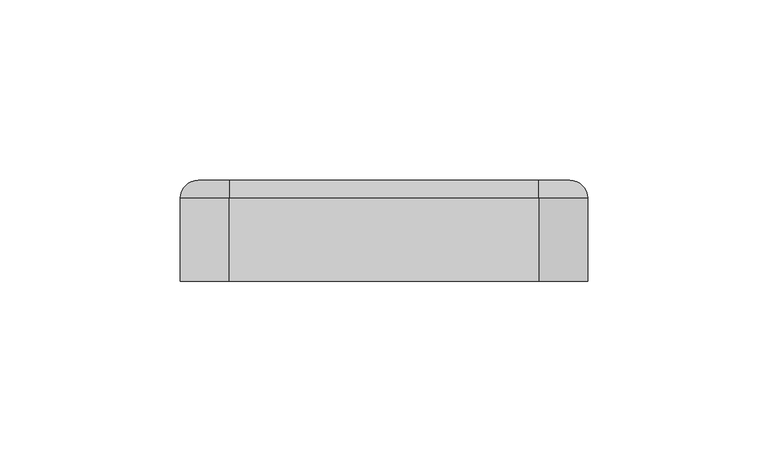
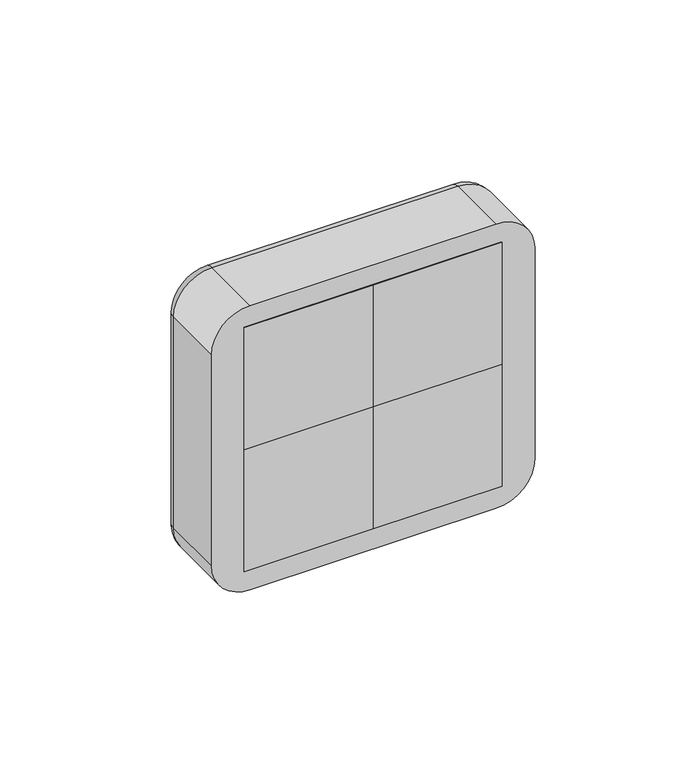
"""IFC4 building model written with IfcOpenShell, lengths in millimetres: proxy geometry."""

from ifc_helpers import new_model, si_unit, point, frame, origin, origin_with_axes, place, context, project, spatial, polyline, circle_curve, ellipse_curve, trimmed, outline, extrude, source, transform, mapped, element, save
from ifc_brep_helpers import plane_surface, cylinder_surface, revolved_surface, advanced_brep


def electrical_fixtures_74140804(model_context):
    return source(origin(), model_context, "Body", "SolidModel", [
        advanced_brep(
        [(0.0, 28.0, 45.0), (0.0, 28.0, 0.0), (-45.0, 28.0, 0.0), (-45.0, 28.0, 45.0), (-40.5, 28.0, 22.5), (-4.5, 28.0, 22.5), (0.0, 20.0, 45.0), (-45.0, 20.0, 45.0), (-45.0, 20.0, 0.0), (0.0, 20.0, 0.0), (-29.5, 20.0, 22.5), (-34.5, 20.0, 22.5), (-10.5, 20.0, 22.5), (-15.5, 20.0, 22.5), (-40.5, 21.0, 22.5), (-4.5, 21.0, 22.5), (-34.5, 21.0, 22.5), (-29.5, 21.0, 22.5), (-15.5, 21.0, 22.5), (-10.5, 21.0, 22.5)],
        [
            (0, 1),
            (1, 2),
            (2, 3),
            (3, 0),
            (4, 5, circle_curve(frame((-22.5, 28.0, 22.5), z_axis=(0.0, -1.0, 0.0), x_axis=(1.0, 0.0, 0.0)), 18.0)),
            (5, 4, circle_curve(frame((-22.5, 28.0, 22.5), z_axis=(0.0, -1.0, 0.0), x_axis=(1.0, 0.0, 0.0)), 18.0)),
            (6, 7),
            (7, 8),
            (8, 9),
            (9, 6),
            (10, 11, circle_curve(frame((-32.0, 20.0, 22.5), z_axis=(0.0, 1.0, 0.0), x_axis=(1.0, 0.0, 0.0)), 2.5)),
            (11, 10, circle_curve(frame((-32.0, 20.0, 22.5), z_axis=(0.0, 1.0, 0.0), x_axis=(1.0, 0.0, 0.0)), 2.5)),
            (12, 13, circle_curve(frame((-13.0, 20.0, 22.5), z_axis=(0.0, 1.0, 0.0), x_axis=(1.0, 0.0, 0.0)), 2.5)),
            (13, 12, circle_curve(frame((-13.0, 20.0, 22.5), z_axis=(0.0, 1.0, 0.0), x_axis=(1.0, 0.0, 0.0)), 2.5)),
            (3, 7),
            (6, 0),
            (2, 8),
            (1, 9),
            (14, 15, circle_curve(frame((-22.5, 21.0, 22.5), z_axis=(0.0, 1.0, 0.0), x_axis=(1.0, 0.0, 0.0)), 18.0)),
            (15, 14, circle_curve(frame((-22.5, 21.0, 22.5), z_axis=(0.0, 1.0, 0.0), x_axis=(1.0, 0.0, 0.0)), 18.0)),
            (16, 17, circle_curve(frame((-32.0, 21.0, 22.5), z_axis=(0.0, -1.0, 0.0), x_axis=(1.0, 0.0, 0.0)), 2.5)),
            (17, 16, circle_curve(frame((-32.0, 21.0, 22.5), z_axis=(0.0, -1.0, 0.0), x_axis=(1.0, 0.0, 0.0)), 2.5)),
            (18, 19, circle_curve(frame((-13.0, 21.0, 22.5), z_axis=(0.0, -1.0, 0.0), x_axis=(1.0, 0.0, 0.0)), 2.5)),
            (19, 18, circle_curve(frame((-13.0, 21.0, 22.5), z_axis=(0.0, -1.0, 0.0), x_axis=(1.0, 0.0, 0.0)), 2.5)),
            (15, 5),
            (4, 14),
            (10, 17),
            (16, 11),
            (12, 19),
            (18, 13),
        ],
        [
            plane_surface(frame((-61.5, 28.0, 45.0), z_axis=(0.0, 1.0, 0.0), x_axis=(1.0, 0.0, 0.0))),
            plane_surface(frame((-61.5, 20.0, 45.0), z_axis=(0.0, -1.0, 0.0), x_axis=(-1.0, 0.0, 0.0))),
            plane_surface(frame((0.0, 20.0, 45.0), z_axis=(0.0, 0.0, 1.0), x_axis=(0.0, 1.0, 0.0))),
            plane_surface(frame((-45.0, 20.0, 45.0), z_axis=(-1.0, 0.0, 0.0), x_axis=(0.0, 1.0, 0.0))),
            plane_surface(frame((-45.0, 20.0, 0.0), z_axis=(0.0, 0.0, -1.0), x_axis=(0.0, 1.0, 0.0))),
            plane_surface(frame((0.0, 20.0, 0.0), z_axis=(1.0, 0.0, 0.0), x_axis=(0.0, 1.0, 0.0))),
            plane_surface(frame((-4.5, 21.0, 22.5), z_axis=(0.0, 1.0, 0.0), x_axis=(0.0, 0.0, 1.0))),
            revolved_surface(polyline([(-4.5, 21.0, 22.5), (-4.5, 28.0, 22.5)]), (-22.5, 28.0, 22.5), (0.0, -1.0, 0.0)),
            revolved_surface(polyline([(-29.5, 20.0, 22.5), (-29.5, 21.0, 22.5)]), (-32.0, 21.0, 22.5), (0.0, -1.0, 0.0)),
            revolved_surface(polyline([(-10.5, 20.0, 22.5), (-10.5, 21.0, 22.5)]), (-13.0, 20.0, 22.5), (0.0, -1.0, 0.0)),
        ],
        [
            (0, [[1, 2, 3, 4], [5, 6]]),
            (1, [[7, 8, 9, 10], [11, 12], [13, 14]]),
            (2, [[-4, 15, -7, 16]]),
            (3, [[-3, 17, -8, -15]]),
            (4, [[-2, 18, -9, -17]]),
            (5, [[-1, -16, -10, -18]]),
            (6, [[19, 20], [21, 22], [23, 24]]),
            (7, [[-20, 25, -5, 26]]),
            (7, [[-19, -26, -6, -25]]),
            (8, [[27, -21, 28, -11]]),
            (8, [[-27, -12, -28, -22]]),
            (9, [[29, -23, 30, -13]]),
            (9, [[-29, -14, -30, -24]]),
        ],
    ),
        extrude(outline(polyline([(0.0, 0.0), (-45.0, 0.0), (-45.0, 20.0), (0.0, 20.0), (0.0, 0.0)])), origin_with_axes(), (0.0, 0.0, 1.0), 45.0),
        advanced_brep(
        [(45.0, 28.0, 45.0), (45.0, 28.0, 0.0), (0.0, 28.0, 0.0), (0.0, 28.0, 45.0), (4.5, 28.0, 22.5), (40.5, 28.0, 22.5), (45.0, 20.0, 45.0), (0.0, 20.0, 45.0), (0.0, 20.0, 0.0), (45.0, 20.0, 0.0), (15.5, 20.0, 22.5), (10.5, 20.0, 22.5), (34.5, 20.0, 22.5), (29.5, 20.0, 22.5), (4.5, 21.0, 22.5), (40.5, 21.0, 22.5), (10.5, 21.0, 22.5), (15.5, 21.0, 22.5), (29.5, 21.0, 22.5), (34.5, 21.0, 22.5)],
        [
            (0, 1),
            (1, 2),
            (2, 3),
            (3, 0),
            (4, 5, circle_curve(frame((22.5, 28.0, 22.5), z_axis=(0.0, -1.0, 0.0), x_axis=(1.0, 0.0, 0.0)), 18.0)),
            (5, 4, circle_curve(frame((22.5, 28.0, 22.5), z_axis=(0.0, -1.0, 0.0), x_axis=(1.0, 0.0, 0.0)), 18.0)),
            (6, 7),
            (7, 8),
            (8, 9),
            (9, 6),
            (10, 11, circle_curve(frame((13.0, 20.0, 22.5), z_axis=(0.0, 1.0, 0.0), x_axis=(1.0, 0.0, 0.0)), 2.5)),
            (11, 10, circle_curve(frame((13.0, 20.0, 22.5), z_axis=(0.0, 1.0, 0.0), x_axis=(1.0, 0.0, 0.0)), 2.5)),
            (12, 13, circle_curve(frame((32.0, 20.0, 22.5), z_axis=(0.0, 1.0, 0.0), x_axis=(1.0, 0.0, 0.0)), 2.5)),
            (13, 12, circle_curve(frame((32.0, 20.0, 22.5), z_axis=(0.0, 1.0, 0.0), x_axis=(1.0, 0.0, 0.0)), 2.5)),
            (3, 7),
            (6, 0),
            (2, 8),
            (1, 9),
            (14, 15, circle_curve(frame((22.5, 21.0, 22.5), z_axis=(0.0, 1.0, 0.0), x_axis=(1.0, 0.0, 0.0)), 18.0)),
            (15, 14, circle_curve(frame((22.5, 21.0, 22.5), z_axis=(0.0, 1.0, 0.0), x_axis=(1.0, 0.0, 0.0)), 18.0)),
            (16, 17, circle_curve(frame((13.0, 21.0, 22.5), z_axis=(0.0, -1.0, 0.0), x_axis=(1.0, 0.0, 0.0)), 2.5)),
            (17, 16, circle_curve(frame((13.0, 21.0, 22.5), z_axis=(0.0, -1.0, 0.0), x_axis=(1.0, 0.0, 0.0)), 2.5)),
            (18, 19, circle_curve(frame((32.0, 21.0, 22.5), z_axis=(0.0, -1.0, 0.0), x_axis=(1.0, 0.0, 0.0)), 2.5)),
            (19, 18, circle_curve(frame((32.0, 21.0, 22.5), z_axis=(0.0, -1.0, 0.0), x_axis=(1.0, 0.0, 0.0)), 2.5)),
            (15, 5),
            (4, 14),
            (10, 17),
            (16, 11),
            (12, 19),
            (18, 13),
        ],
        [
            plane_surface(frame((-16.5, 28.0, 45.0), z_axis=(0.0, 1.0, 0.0), x_axis=(1.0, 0.0, 0.0))),
            plane_surface(frame((-16.5, 20.0, 45.0), z_axis=(0.0, -1.0, 0.0), x_axis=(-1.0, 0.0, 0.0))),
            plane_surface(frame((45.0, 20.0, 45.0), z_axis=(0.0, 0.0, 1.0), x_axis=(0.0, 1.0, 0.0))),
            plane_surface(frame((0.0, 20.0, 45.0), z_axis=(-1.0, 0.0, 0.0), x_axis=(0.0, 1.0, 0.0))),
            plane_surface(frame((0.0, 20.0, 0.0), z_axis=(0.0, 0.0, -1.0), x_axis=(0.0, 1.0, 0.0))),
            plane_surface(frame((45.0, 20.0, 0.0), z_axis=(1.0, 0.0, 0.0), x_axis=(0.0, 1.0, 0.0))),
            plane_surface(frame((40.5, 21.0, 22.5), z_axis=(0.0, 1.0, 0.0), x_axis=(0.0, 0.0, 1.0))),
            revolved_surface(polyline([(40.5, 21.0, 22.5), (40.5, 28.0, 22.5)]), (22.5, 28.0, 22.5), (0.0, -1.0, 0.0)),
            revolved_surface(polyline([(15.5, 20.0, 22.5), (15.5, 21.0, 22.5)]), (13.0, 21.0, 22.5), (0.0, -1.0, 0.0)),
            revolved_surface(polyline([(34.5, 20.0, 22.5), (34.5, 21.0, 22.5)]), (32.0, 20.0, 22.5), (0.0, -1.0, 0.0)),
        ],
        [
            (0, [[1, 2, 3, 4], [5, 6]]),
            (1, [[7, 8, 9, 10], [11, 12], [13, 14]]),
            (2, [[-4, 15, -7, 16]]),
            (3, [[-3, 17, -8, -15]]),
            (4, [[-2, 18, -9, -17]]),
            (5, [[-1, -16, -10, -18]]),
            (6, [[19, 20], [21, 22], [23, 24]]),
            (7, [[-20, 25, -5, 26]]),
            (7, [[-19, -26, -6, -25]]),
            (8, [[27, -21, 28, -11]]),
            (8, [[-27, -12, -28, -22]]),
            (9, [[29, -23, 30, -13]]),
            (9, [[-29, -14, -30, -24]]),
        ],
    ),
        extrude(outline(polyline([(45.0, 0.0), (0.0, 0.0), (0.0, 20.0), (45.0, 20.0), (45.0, 0.0)])), origin_with_axes(), (0.0, 0.0, 1.0), 45.0),
        advanced_brep(
        [(0.0, 28.0, 0.0), (0.0, 28.0, -45.0), (-45.0, 28.0, -45.0), (-45.0, 28.0, 0.0), (-40.5, 28.0, -22.5), (-4.5, 28.0, -22.5), (0.0, 20.0, 0.0), (-45.0, 20.0, 0.0), (-45.0, 20.0, -45.0), (0.0, 20.0, -45.0), (-29.5, 20.0, -22.5), (-34.5, 20.0, -22.5), (-10.5, 20.0, -22.5), (-15.5, 20.0, -22.5), (-40.5, 21.0, -22.5), (-4.5, 21.0, -22.5), (-34.5, 21.0, -22.5), (-29.5, 21.0, -22.5), (-15.5, 21.0, -22.5), (-10.5, 21.0, -22.5)],
        [
            (0, 1),
            (1, 2),
            (2, 3),
            (3, 0),
            (4, 5, circle_curve(frame((-22.5, 28.0, -22.5), z_axis=(0.0, -1.0, 0.0), x_axis=(1.0, 0.0, 0.0)), 18.0)),
            (5, 4, circle_curve(frame((-22.5, 28.0, -22.5), z_axis=(0.0, -1.0, 0.0), x_axis=(1.0, 0.0, 0.0)), 18.0)),
            (6, 7),
            (7, 8),
            (8, 9),
            (9, 6),
            (10, 11, circle_curve(frame((-32.0, 20.0, -22.5), z_axis=(0.0, 1.0, 0.0), x_axis=(1.0, 0.0, 0.0)), 2.5)),
            (11, 10, circle_curve(frame((-32.0, 20.0, -22.5), z_axis=(0.0, 1.0, 0.0), x_axis=(1.0, 0.0, 0.0)), 2.5)),
            (12, 13, circle_curve(frame((-13.0, 20.0, -22.5), z_axis=(0.0, 1.0, 0.0), x_axis=(1.0, 0.0, 0.0)), 2.5)),
            (13, 12, circle_curve(frame((-13.0, 20.0, -22.5), z_axis=(0.0, 1.0, 0.0), x_axis=(1.0, 0.0, 0.0)), 2.5)),
            (3, 7),
            (6, 0),
            (2, 8),
            (1, 9),
            (14, 15, circle_curve(frame((-22.5, 21.0, -22.5), z_axis=(0.0, 1.0, 0.0), x_axis=(1.0, 0.0, 0.0)), 18.0)),
            (15, 14, circle_curve(frame((-22.5, 21.0, -22.5), z_axis=(0.0, 1.0, 0.0), x_axis=(1.0, 0.0, 0.0)), 18.0)),
            (16, 17, circle_curve(frame((-32.0, 21.0, -22.5), z_axis=(0.0, -1.0, 0.0), x_axis=(1.0, 0.0, 0.0)), 2.5)),
            (17, 16, circle_curve(frame((-32.0, 21.0, -22.5), z_axis=(0.0, -1.0, 0.0), x_axis=(1.0, 0.0, 0.0)), 2.5)),
            (18, 19, circle_curve(frame((-13.0, 21.0, -22.5), z_axis=(0.0, -1.0, 0.0), x_axis=(1.0, 0.0, 0.0)), 2.5)),
            (19, 18, circle_curve(frame((-13.0, 21.0, -22.5), z_axis=(0.0, -1.0, 0.0), x_axis=(1.0, 0.0, 0.0)), 2.5)),
            (15, 5),
            (4, 14),
            (10, 17),
            (16, 11),
            (12, 19),
            (18, 13),
        ],
        [
            plane_surface(frame((-61.5, 28.0, 0.0), z_axis=(0.0, 1.0, 0.0), x_axis=(1.0, 0.0, 0.0))),
            plane_surface(frame((-61.5, 20.0, 0.0), z_axis=(0.0, -1.0, 0.0), x_axis=(-1.0, 0.0, 0.0))),
            plane_surface(frame((0.0, 20.0, 0.0), z_axis=(0.0, 0.0, 1.0), x_axis=(0.0, 1.0, 0.0))),
            plane_surface(frame((-45.0, 20.0, 0.0), z_axis=(-1.0, 0.0, 0.0), x_axis=(0.0, 1.0, 0.0))),
            plane_surface(frame((-45.0, 20.0, -45.0), z_axis=(0.0, 0.0, -1.0), x_axis=(0.0, 1.0, 0.0))),
            plane_surface(frame((0.0, 20.0, -45.0), z_axis=(1.0, 0.0, 0.0), x_axis=(0.0, 1.0, 0.0))),
            plane_surface(frame((-4.5, 21.0, -22.5), z_axis=(0.0, 1.0, 0.0), x_axis=(0.0, 0.0, 1.0))),
            revolved_surface(polyline([(-4.5, 21.0, -22.5), (-4.5, 28.0, -22.5)]), (-22.5, 28.0, -22.5), (0.0, -1.0, 0.0)),
            revolved_surface(polyline([(-29.5, 20.0, -22.5), (-29.5, 21.0, -22.5)]), (-32.0, 21.0, -22.5), (0.0, -1.0, 0.0)),
            revolved_surface(polyline([(-10.5, 20.0, -22.5), (-10.5, 21.0, -22.5)]), (-13.0, 20.0, -22.5), (0.0, -1.0, 0.0)),
        ],
        [
            (0, [[1, 2, 3, 4], [5, 6]]),
            (1, [[7, 8, 9, 10], [11, 12], [13, 14]]),
            (2, [[-4, 15, -7, 16]]),
            (3, [[-3, 17, -8, -15]]),
            (4, [[-2, 18, -9, -17]]),
            (5, [[-1, -16, -10, -18]]),
            (6, [[19, 20], [21, 22], [23, 24]]),
            (7, [[-20, 25, -5, 26]]),
            (7, [[-19, -26, -6, -25]]),
            (8, [[27, -21, 28, -11]]),
            (8, [[-27, -12, -28, -22]]),
            (9, [[29, -23, 30, -13]]),
            (9, [[-29, -14, -30, -24]]),
        ],
    ),
        extrude(outline(polyline([(0.0, 0.0), (-45.0, 0.0), (-45.0, 20.0), (0.0, 20.0), (0.0, 0.0)])), frame((0.0, 0.0, -45.0), z_axis=(0.0, 0.0, 1.0), x_axis=(1.0, 0.0, 0.0)), (0.0, 0.0, 1.0), 45.0),
        advanced_brep(
        [(45.0, 28.0, 0.0), (45.0, 28.0, -45.0), (0.0, 28.0, -45.0), (0.0, 28.0, 0.0), (4.5, 28.0, -22.5), (40.5, 28.0, -22.5), (45.0, 20.0, 0.0), (0.0, 20.0, 0.0), (0.0, 20.0, -45.0), (45.0, 20.0, -45.0), (15.5, 20.0, -22.5), (10.5, 20.0, -22.5), (34.5, 20.0, -22.5), (29.5, 20.0, -22.5), (4.5, 21.0, -22.5), (40.5, 21.0, -22.5), (10.5, 21.0, -22.5), (15.5, 21.0, -22.5), (29.5, 21.0, -22.5), (34.5, 21.0, -22.5)],
        [
            (0, 1),
            (1, 2),
            (2, 3),
            (3, 0),
            (4, 5, circle_curve(frame((22.5, 28.0, -22.5), z_axis=(0.0, -1.0, 0.0), x_axis=(1.0, 0.0, 0.0)), 18.0)),
            (5, 4, circle_curve(frame((22.5, 28.0, -22.5), z_axis=(0.0, -1.0, 0.0), x_axis=(1.0, 0.0, 0.0)), 18.0)),
            (6, 7),
            (7, 8),
            (8, 9),
            (9, 6),
            (10, 11, circle_curve(frame((13.0, 20.0, -22.5), z_axis=(0.0, 1.0, 0.0), x_axis=(1.0, 0.0, 0.0)), 2.5)),
            (11, 10, circle_curve(frame((13.0, 20.0, -22.5), z_axis=(0.0, 1.0, 0.0), x_axis=(1.0, 0.0, 0.0)), 2.5)),
            (12, 13, circle_curve(frame((32.0, 20.0, -22.5), z_axis=(0.0, 1.0, 0.0), x_axis=(1.0, 0.0, 0.0)), 2.5)),
            (13, 12, circle_curve(frame((32.0, 20.0, -22.5), z_axis=(0.0, 1.0, 0.0), x_axis=(1.0, 0.0, 0.0)), 2.5)),
            (3, 7),
            (6, 0),
            (2, 8),
            (1, 9),
            (14, 15, circle_curve(frame((22.5, 21.0, -22.5), z_axis=(0.0, 1.0, 0.0), x_axis=(1.0, 0.0, 0.0)), 18.0)),
            (15, 14, circle_curve(frame((22.5, 21.0, -22.5), z_axis=(0.0, 1.0, 0.0), x_axis=(1.0, 0.0, 0.0)), 18.0)),
            (16, 17, circle_curve(frame((13.0, 21.0, -22.5), z_axis=(0.0, -1.0, 0.0), x_axis=(1.0, 0.0, 0.0)), 2.5)),
            (17, 16, circle_curve(frame((13.0, 21.0, -22.5), z_axis=(0.0, -1.0, 0.0), x_axis=(1.0, 0.0, 0.0)), 2.5)),
            (18, 19, circle_curve(frame((32.0, 21.0, -22.5), z_axis=(0.0, -1.0, 0.0), x_axis=(1.0, 0.0, 0.0)), 2.5)),
            (19, 18, circle_curve(frame((32.0, 21.0, -22.5), z_axis=(0.0, -1.0, 0.0), x_axis=(1.0, 0.0, 0.0)), 2.5)),
            (15, 5),
            (4, 14),
            (10, 17),
            (16, 11),
            (12, 19),
            (18, 13),
        ],
        [
            plane_surface(frame((-16.5, 28.0, 0.0), z_axis=(0.0, 1.0, 0.0), x_axis=(1.0, 0.0, 0.0))),
            plane_surface(frame((-16.5, 20.0, 0.0), z_axis=(0.0, -1.0, 0.0), x_axis=(-1.0, 0.0, 0.0))),
            plane_surface(frame((45.0, 20.0, 0.0), z_axis=(0.0, 0.0, 1.0), x_axis=(0.0, 1.0, 0.0))),
            plane_surface(frame((0.0, 20.0, 0.0), z_axis=(-1.0, 0.0, 0.0), x_axis=(0.0, 1.0, 0.0))),
            plane_surface(frame((0.0, 20.0, -45.0), z_axis=(0.0, 0.0, -1.0), x_axis=(0.0, 1.0, 0.0))),
            plane_surface(frame((45.0, 20.0, -45.0), z_axis=(1.0, 0.0, 0.0), x_axis=(0.0, 1.0, 0.0))),
            plane_surface(frame((40.5, 21.0, -22.5), z_axis=(0.0, 1.0, 0.0), x_axis=(0.0, 0.0, 1.0))),
            revolved_surface(polyline([(40.5, 21.0, -22.5), (40.5, 28.0, -22.5)]), (22.5, 28.0, -22.5), (0.0, -1.0, 0.0)),
            revolved_surface(polyline([(15.5, 20.0, -22.5), (15.5, 21.0, -22.5)]), (13.0, 21.0, -22.5), (0.0, -1.0, 0.0)),
            revolved_surface(polyline([(34.5, 20.0, -22.5), (34.5, 21.0, -22.5)]), (32.0, 20.0, -22.5), (0.0, -1.0, 0.0)),
        ],
        [
            (0, [[1, 2, 3, 4], [5, 6]]),
            (1, [[7, 8, 9, 10], [11, 12], [13, 14]]),
            (2, [[-4, 15, -7, 16]]),
            (3, [[-3, 17, -8, -15]]),
            (4, [[-2, 18, -9, -17]]),
            (5, [[-1, -16, -10, -18]]),
            (6, [[19, 20], [21, 22], [23, 24]]),
            (7, [[-20, 25, -5, 26]]),
            (7, [[-19, -26, -6, -25]]),
            (8, [[27, -21, 28, -11]]),
            (8, [[-27, -12, -28, -22]]),
            (9, [[29, -23, 30, -13]]),
            (9, [[-29, -14, -30, -24]]),
        ],
    ),
        extrude(outline(polyline([(45.0, 0.0), (0.0, 0.0), (0.0, 20.0), (45.0, 20.0), (45.0, 0.0)])), frame((0.0, 0.0, -45.0), z_axis=(0.0, 0.0, 1.0), x_axis=(1.0, 0.0, 0.0)), (0.0, 0.0, 1.0), 45.0),
        advanced_brep(
        [(42.9328665, 28.0, 47.5), (51.5, 28.0, 38.9328665), (51.5, 28.0, -38.9328665), (42.9328665, 28.0, -47.5), (-42.9328665, 28.0, -47.5), (-51.5, 28.0, -38.9328665), (-51.5, 28.0, 38.9328665), (-42.9328665, 28.0, 47.5), (45.0, 28.0, 45.0), (-45.0, 28.0, 45.0), (-45.0, 28.0, -45.0), (45.0, 28.0, -45.0), (-42.9328665, 0.0, 52.5), (-56.5, 0.0, 38.9328665), (-56.5, 0.0, -38.9328665), (-42.9328665, 0.0, -52.5), (42.9328665, 0.0, -52.5), (56.5, 0.0, -38.9328665), (56.5, 0.0, 38.9328665), (42.9328665, 0.0, 52.5), (45.0, 2.0, -45.0), (45.0, 2.0, 45.0), (-45.0, 2.0, -45.0), (-45.0, 2.0, 45.0), (-56.5, 23.0, 38.9328665), (-56.5, 23.0, -38.9328665), (-42.9328665, 23.0, -52.5), (42.9328665, 23.0, -52.5), (56.5, 23.0, -38.9328665), (56.5, 23.0, 38.9328665), (42.9328665, 23.0000072, 52.5), (-42.9328665, 23.0, 52.5)],
        [
            (0, 1, circle_curve(frame((42.9328665, 28.0, 38.9328665), z_axis=(0.0, 1.0, 0.0), x_axis=(0.0, 0.0, 1.0)), 8.5671335)),
            (1, 2),
            (2, 3, circle_curve(frame((42.9328665, 28.0, -38.9328665), z_axis=(0.0, 1.0, 0.0), x_axis=(1.0, 0.0, 0.0)), 8.5671335)),
            (3, 4),
            (4, 5, circle_curve(frame((-42.9328665, 28.0, -38.9328665), z_axis=(0.0, 1.0, 0.0), x_axis=(0.0, 0.0, -1.0)), 8.5671335)),
            (5, 6),
            (6, 7, circle_curve(frame((-42.9328665, 28.0, 38.9328665), z_axis=(0.0, 1.0, 0.0), x_axis=(-1.0, 0.0, 0.0)), 8.5671335)),
            (7, 0),
            (8, 9),
            (9, 10),
            (10, 11),
            (11, 8),
            (12, 13, circle_curve(frame((-42.9328665, 0.0, 38.9328665), z_axis=(0.0, -1.0, 0.0), x_axis=(1.0, 0.0, 0.0)), 13.5671335)),
            (13, 14),
            (14, 15, circle_curve(frame((-42.9328665, 0.0, -38.9328665), z_axis=(0.0, -1.0, 0.0), x_axis=(1.0, 0.0, 0.0)), 13.5671335)),
            (15, 16),
            (16, 17, circle_curve(frame((42.9328665, 0.0, -38.9328665), z_axis=(0.0, -1.0, 0.0), x_axis=(1.0, 0.0, 0.0)), 13.5671335)),
            (17, 18),
            (18, 19, circle_curve(frame((42.9328665, 0.0, 38.9328665), z_axis=(0.0, -1.0, 0.0), x_axis=(1.0, 0.0, 0.0)), 13.5671335)),
            (19, 12),
            (11, 20),
            (20, 21),
            (21, 8),
            (10, 22),
            (22, 20),
            (9, 23),
            (23, 22),
            (21, 23),
            (13, 24),
            (24, 25),
            (25, 14),
            (15, 26),
            (26, 27),
            (27, 16),
            (17, 28),
            (28, 29),
            (29, 18),
            (19, 30),
            (30, 31),
            (31, 12),
            (31, 24, circle_curve(frame((-42.9328665, 23.0, 38.9328665), z_axis=(0.0, -1.0, 0.0), x_axis=(1.0, 0.0, 0.0)), 13.5671335)),
            (25, 26, circle_curve(frame((-42.9328665, 23.0, -38.9328665), z_axis=(0.0, -1.0, 0.0), x_axis=(1.0, 0.0, 0.0)), 13.5671335)),
            (27, 28, circle_curve(frame((42.9328665, 23.0, -38.9328665), z_axis=(0.0, -1.0, 0.0), x_axis=(1.0, 0.0, 0.0)), 13.5671335)),
            (29, 30, circle_curve(frame((42.9328665, 23.0, 38.9328665), z_axis=(0.0, -1.0, 0.0), x_axis=(1.0, 0.0, 0.0)), 13.5671335)),
            (29, 1, circle_curve(frame((51.5, 23.0, 38.9328665), z_axis=(0.0, 0.0, 1.0), x_axis=(0.0, 1.0, 0.0)), 5.0)),
            (0, 30, circle_curve(frame((42.9328665, 23.0, 47.5), z_axis=(1.0, 0.0, 0.0), x_axis=(0.0, 1.0, 0.0)), 5.0)),
            (28, 2, circle_curve(frame((51.5, 23.0, -38.9328665), z_axis=(0.0, 0.0, 1.0), x_axis=(0.0, 1.0, 0.0)), 5.0)),
            (27, 3, circle_curve(frame((42.9328665, 23.0, -47.5), z_axis=(1.0, 0.0, 0.0), x_axis=(0.0, 1.0, 0.0)), 5.0)),
            (26, 4, circle_curve(frame((-42.9328665, 23.0, -47.5), z_axis=(1.0, 0.0, 0.0), x_axis=(0.0, 1.0, 0.0)), 5.0)),
            (25, 5, circle_curve(frame((-51.5, 23.0, -38.9328665), z_axis=(0.0, 0.0, -1.0), x_axis=(0.0, 1.0, 0.0)), 5.0)),
            (24, 6, circle_curve(frame((-51.5, 23.0, 38.9328665), z_axis=(0.0, 0.0, -1.0), x_axis=(0.0, 1.0, 0.0)), 5.0)),
            (31, 7, circle_curve(frame((-42.9328665, 23.0, 47.5), z_axis=(-1.0, 0.0, 0.0), x_axis=(0.0, 1.0, 0.0)), 5.0)),
        ],
        [
            plane_surface(frame((45.0, 28.0, 6.9412233), z_axis=(0.0, 1.0, 0.0), x_axis=(0.0, 0.0, 1.0))),
            plane_surface(frame((45.0, 0.0, 6.9412233), z_axis=(0.0, -1.0, 0.0), x_axis=(0.0, 0.0, -1.0))),
            plane_surface(frame((45.0, 0.0, 45.0), z_axis=(-1.0, 0.0, 0.0), x_axis=(0.0, 1.0, 0.0))),
            plane_surface(frame((45.0, 0.0, -45.0), z_axis=(0.0, 0.0, 1.0), x_axis=(0.0, 1.0, 0.0))),
            plane_surface(frame((-45.0, 0.0, -45.0), z_axis=(1.0, 0.0, 0.0), x_axis=(0.0, 1.0, 0.0))),
            plane_surface(frame((-45.0, 0.0, 45.0), z_axis=(0.0, 0.0, -1.0), x_axis=(0.0, 1.0, 0.0))),
            plane_surface(frame((-56.5, 0.0, 38.9328665), z_axis=(-1.0, 0.0, 0.0), x_axis=(0.0, 1.0, 0.0))),
            plane_surface(frame((-42.9328665, 0.0, -52.5), z_axis=(0.0, 0.0, -1.0), x_axis=(0.0, 1.0, 0.0))),
            plane_surface(frame((56.5, 0.0, -38.9328665), z_axis=(1.0, 0.0, 0.0), x_axis=(0.0, 1.0, 0.0))),
            plane_surface(frame((42.9328665, 0.0, 52.5), z_axis=(0.0, 0.0, 1.0), x_axis=(0.0, 1.0, 0.0))),
            cylinder_surface(frame((-42.9328665, 0.0, 38.9328665), z_axis=(0.0, -1.0, 0.0), x_axis=(1.0, 0.0, 0.0)), 13.5671335),
            cylinder_surface(frame((-42.9328665, 0.0, -38.9328665), z_axis=(0.0, -1.0, 0.0), x_axis=(1.0, 0.0, 0.0)), 13.5671335),
            cylinder_surface(frame((42.9328665, 0.0, -38.9328665), z_axis=(0.0, -1.0, 0.0), x_axis=(1.0, 0.0, 0.0)), 13.5671335),
            cylinder_surface(frame((42.9328665, 0.0, 38.9328665), z_axis=(0.0, -1.0, 0.0), x_axis=(1.0, 0.0, 0.0)), 13.5671335),
            plane_surface(frame((-45.0, 2.0, 22.5), z_axis=(0.0, 1.0, 0.0), x_axis=(0.0, 0.0, 1.0))),
            revolved_surface(trimmed(ellipse_curve(frame((42.9328665, 23.0, 47.5), z_axis=(-1.0, 0.0, 0.0), x_axis=(0.0, 1.0, 0.0)), 5.0, 5.0), [point((42.9328665, 23.0, 52.5))], [point((42.9328665, 28.0, 47.5))], True, "CARTESIAN"), (42.9328665, 28.0, 38.9328665), (0.0, 1.0, 0.0)),
            cylinder_surface(frame((51.5, 23.0, 38.9328665), z_axis=(0.0, 0.0, -1.0), x_axis=(0.0, 1.0, 0.0)), 5.0),
            revolved_surface(trimmed(ellipse_curve(frame((51.5, 23.0, -38.9328665), z_axis=(0.0, 0.0, 1.0), x_axis=(0.0, 1.0, 0.0)), 5.0, 5.0), [point((56.5, 23.0, -38.9328665))], [point((51.5, 28.0, -38.9328665))], True, "CARTESIAN"), (42.9328665, 28.0, -38.9328665), (0.0, 1.0, 0.0)),
            cylinder_surface(frame((42.9328665, 23.0, -47.5), z_axis=(-1.0, 0.0, 0.0), x_axis=(0.0, 1.0, 0.0)), 5.0),
            revolved_surface(trimmed(ellipse_curve(frame((-42.9328665, 23.0, -47.5), z_axis=(1.0, 0.0, 0.0), x_axis=(0.0, 1.0, 0.0)), 5.0, 5.0), [point((-42.9328665, 23.0, -52.5))], [point((-42.9328665, 28.0, -47.5))], True, "CARTESIAN"), (-42.9328665, 28.0, -38.9328665), (0.0, 1.0, 0.0)),
            cylinder_surface(frame((-51.5, 23.0, -38.9328665), z_axis=(0.0, 0.0, 1.0), x_axis=(0.0, 1.0, 0.0)), 5.0),
            revolved_surface(trimmed(ellipse_curve(frame((-51.5, 23.0, 38.9328665), z_axis=(0.0, 0.0, -1.0), x_axis=(0.0, 1.0, 0.0)), 5.0, 5.0), [point((-56.5, 23.0, 38.9328665))], [point((-51.5, 28.0, 38.9328665))], True, "CARTESIAN"), (-42.9328665, 28.0, 38.9328665), (0.0, 1.0, 0.0)),
            cylinder_surface(frame((-42.9328665, 23.0, 47.5), z_axis=(1.0, 0.0, 0.0), x_axis=(0.0, 1.0, 0.0)), 5.0),
        ],
        [
            (0, [[1, 2, 3, 4, 5, 6, 7, 8], [9, 10, 11, 12]]),
            (1, [[13, 14, 15, 16, 17, 18, 19, 20]]),
            (2, [[-12, 21, 22, 23]]),
            (3, [[-11, 24, 25, -21]]),
            (4, [[-10, 26, 27, -24]]),
            (5, [[-9, -23, 28, -26]]),
            (6, [[-14, 29, 30, 31]]),
            (7, [[-16, 32, 33, 34]]),
            (8, [[-18, 35, 36, 37]]),
            (9, [[-20, 38, 39, 40]]),
            (10, [[-13, -40, 41, -29]]),
            (11, [[-15, -31, 42, -32]]),
            (12, [[-17, -34, 43, -35]]),
            (13, [[-19, -37, 44, -38]]),
            (14, [[-22, -25, -27, -28]]),
            (15, [[45, -1, 46, -44]]),
            (16, [[-45, -36, 47, -2]]),
            (17, [[-47, -43, 48, -3]]),
            (18, [[-48, -33, 49, -4]]),
            (19, [[-49, -42, 50, -5]]),
            (20, [[-50, -30, 51, -6]]),
            (21, [[-51, -41, 52, -7]]),
            (22, [[-46, -8, -52, -39]]),
        ],
    ),
    ])


if __name__ == "__main__":
    model = new_model("IFC4")
    model_context = context("Model", 3, world=origin())
    ifc_project = project(units=[si_unit("LENGTHUNIT", "METRE", prefix="MILLI")], contexts=[model_context])
    site = spatial("IfcSite", under=ifc_project)
    building = spatial("IfcBuilding", under=site)
    placement = place(None, origin())
    electrical_fixtures_shape = electrical_fixtures_74140804(model_context)
    element("IfcBuildingElementProxy", 1, Name="Electrical Fixtures", at=placement, inside=building, context=model_context, shape_type="MappedRepresentation", body=[
        mapped(electrical_fixtures_shape, transform((0.0, 0.0, 0.0), x_axis=(1.0, 0.0, 0.0), y_axis=(0.0, 1.0, 0.0), z_axis=(0.0, 0.0, 1.0))),
    ])
    save(model, "model.ifc")
